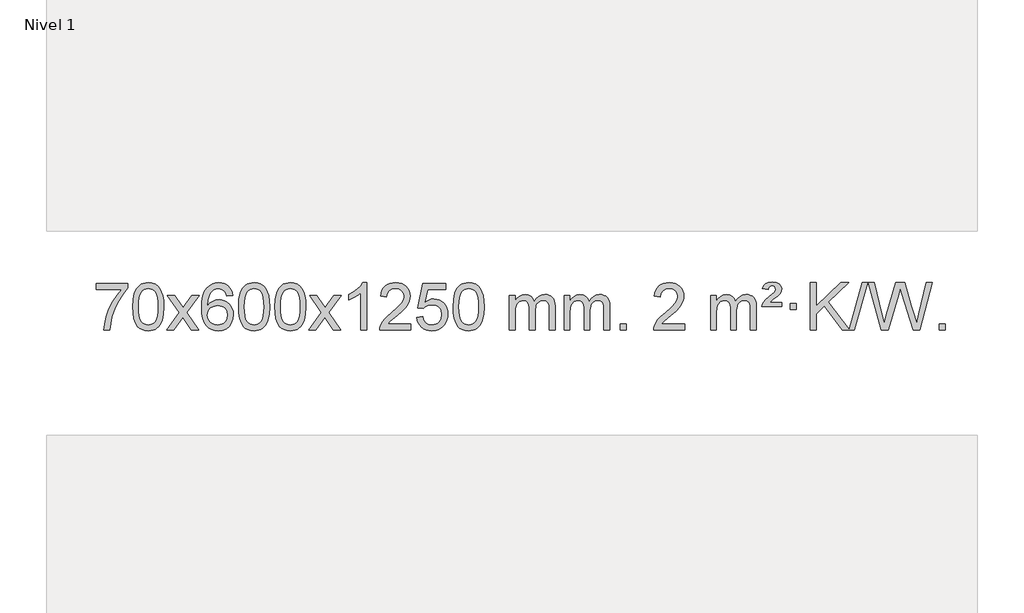
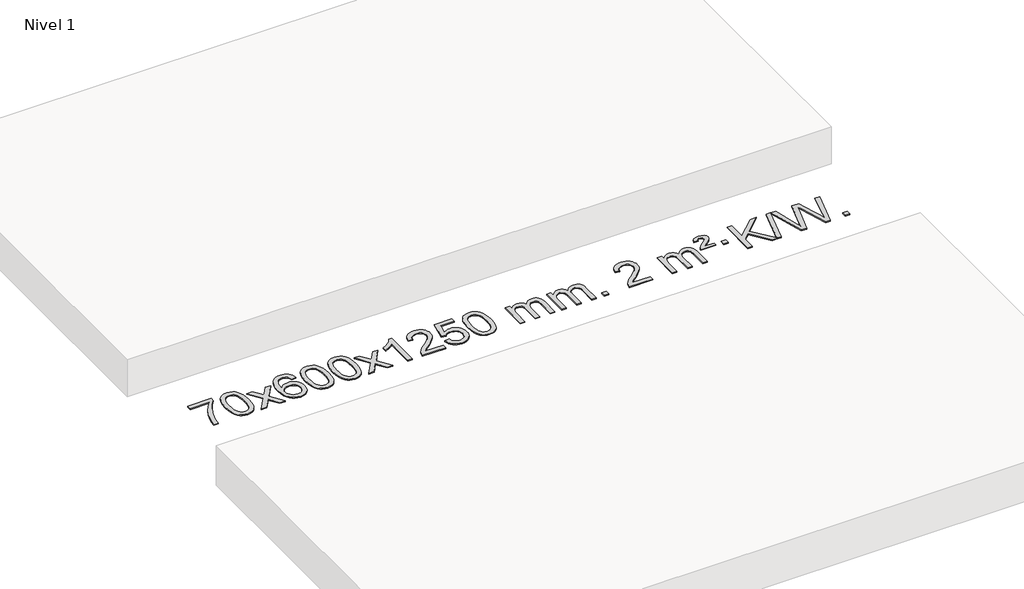
# One storey, part 3 of 7: 1 proxy.
"""IFC4 building model written with IfcOpenShell, lengths in millimetres."""

from ifc_helpers import new_model, si_unit, origin, origin_with_axes, place, context, project, spatial, polyline, outline, extrude, element, save

model = new_model("IFC4")

# Units and contexts
model_context = context("Model", 3, world=origin())
ifc_project = project(units=[si_unit("LENGTHUNIT", "METRE", prefix="MILLI")], contexts=[model_context])

# Site, building, storey
site = spatial("IfcSite", under=ifc_project)
building = spatial("IfcBuilding", under=site)
storey = spatial("IfcBuildingStorey", under=building, Name="Nivel 1", Elevation=0.0)

# Proxy
placement = place(None, origin())
element("IfcBuildingElementProxy", 1, Name="Texto de modelo 1", ObjectType="Texto de modelo 1", at=placement, inside=storey, context=model_context, shape_type="SweptSolid", body=[
    extrude(outline(polyline([(-25593.8451637, -6539.2982907), (-25593.8451637, -6489.0701357), (-25330.1473496, -6489.0701357), (-25330.1473496, -6529.6843079), (-25367.7326267, -6577.2514499), (-25404.9500219, -6637.7435126), (-25437.7773586, -6705.6422662), (-25462.1924604, -6775.4294807), (-25474.1608879, -6827.6441985), (-25480.8318148, -6884.6168569), (-25531.0599699, -6884.6168569), (-25525.6275791, -6832.8435974), (-25511.0962403, -6771.3092024), (-25487.8583609, -6706.0837246), (-25456.3063484, -6643.2372171), (-25419.469098, -6586.4239743), (-25380.3755046, -6539.2982907), (-25593.8451637, -6539.2982907)])), origin_with_axes(), (0.0, 0.0, 1.0), 10.0),
    extrude(outline(polyline([(-25286.1977139, -6686.9415981), (-25282.5066312, -6622.6235626), (-25271.4333831, -6571.3285498), (-25253.0883343, -6532.2717446), (-25241.2302713, -6517.0383643), (-25227.5818493, -6504.6683323), (-25212.097083, -6495.097269), (-25194.7299871, -6488.2607953), (-25154.3488068, -6482.7916163), (-25123.3976683, -6486.0289778), (-25095.6838913, -6495.7410625), (-25072.5073256, -6511.5477256), (-25055.1678209, -6533.0688223), (-25042.0712219, -6560.1204117), (-25031.6233732, -6592.5185527), (-25024.7807681, -6633.6600225), (-25022.4998997, -6686.9415981), (-25026.1541942, -6750.8917516), (-25037.1170777, -6802.0641372), (-25055.3517619, -6841.1577305), (-25067.1822337, -6856.437096), (-25080.8214587, -6868.8715075), (-25096.3246191, -6878.5069501), (-25113.7468973, -6885.3894091), (-25154.3488068, -6890.8953763), (-25182.0135328, -6888.5041433), (-25206.5389992, -6881.3304444), (-25227.9252058, -6869.3742795), (-25246.1721528, -6852.6356488), (-25263.6833358, -6822.3773547), (-25276.1913236, -6784.6755815), (-25283.6961163, -6739.5303293), (-25286.1977139, -6686.9415981)]), holes=[polyline([(-25235.9695588, -6686.8434963), (-25234.4980308, -6730.5080234), (-25230.0834469, -6765.8522861), (-25222.725807, -6792.8762843), (-25212.4251111, -6811.5800181), (-25199.9661742, -6824.3056694), (-25186.1338112, -6833.3954204), (-25170.9280221, -6838.849271), (-25154.3488068, -6840.6672212), (-25137.7695916, -6838.8431396), (-25122.5638024, -6833.3708949), (-25108.7314394, -6824.2504871), (-25096.2725025, -6811.4819162), (-25085.9718066, -6792.7475256), (-25078.6141667, -6765.7296588), (-25074.1995828, -6730.4283156), (-25072.7280548, -6686.8434963), (-25074.1505319, -6644.3347317), (-25078.417963, -6609.6128027), (-25085.5303482, -6582.6777093), (-25095.4876876, -6563.5294515), (-25107.738158, -6550.1814664), (-25121.7299366, -6540.6471914), (-25137.4630232, -6534.9266264), (-25154.937418, -6533.0197713), (-25171.4307941, -6534.6997658), (-25186.3790659, -6539.7397491), (-25199.7822332, -6548.1397213), (-25211.6402962, -6559.8996825), (-25222.2843486, -6580.7463289), (-25229.8872431, -6608.8525133), (-25234.4489799, -6644.2182358), (-25235.9695588, -6686.8434963)])]), origin_with_axes(), (0.0, 0.0, 1.0), 10.0),
    extrude(outline(polyline([(-24997.3858222, -6884.6168569), (-24890.0623815, -6736.2868364), (-24991.1073028, -6589.5264458), (-24930.6765537, -6589.5264458), (-24881.9199266, -6660.1597889), (-24859.1602939, -6693.5144231), (-24839.4418189, -6666.2421045), (-24783.9161631, -6589.5264458), (-24723.4854141, -6589.5264458), (-24829.6316324, -6736.2868364), (-24727.4094887, -6884.6168569), (-24787.8402377, -6884.6168569), (-24849.3501073, -6795.4422612), (-24860.6318219, -6779.1573516), (-24936.9550731, -6884.6168569), (-24997.3858222, -6884.6168569)])), origin_with_axes(), (0.0, 0.0, 1.0), 10.0),
    extrude(outline(polyline([(-24438.597597, -6589.5264458), (-24488.8257521, -6595.8049652), (-24496.919156, -6570.9116168), (-24507.8575139, -6553.9154687), (-24530.6416722, -6538.2436957), (-24558.1837709, -6533.0197713), (-24581.5320148, -6536.0609292), (-24603.5068327, -6545.1844027), (-24622.379179, -6564.4001055), (-24637.7934346, -6590.850821), (-24648.2044951, -6628.2644199), (-24652.0672561, -6680.3687731), (-24631.9195855, -6656.8611137), (-24607.7742638, -6640.2941611), (-24580.9801919, -6630.4717119), (-24552.8862702, -6627.1975621), (-24528.7532113, -6629.4355109), (-24506.4840878, -6636.1493573), (-24486.0788998, -6647.3391013), (-24467.5376473, -6663.004743), (-24452.129523, -6682.2143145), (-24441.12372, -6704.0358482), (-24434.5202382, -6728.469344), (-24432.3190776, -6755.514802), (-24436.4638814, -6791.4813984), (-24448.8982929, -6824.8237699), (-24468.5922423, -6853.1016326), (-24494.5156603, -6873.8747026), (-24525.4913243, -6886.6402078), (-24560.3420119, -6890.8953763), (-24590.2845407, -6888.0749476), (-24617.326933, -6879.6136617), (-24641.4691889, -6865.5115186), (-24662.7113085, -6845.7685182), (-24680.0293534, -6819.5507947), (-24692.3993855, -6786.0244822), (-24699.8214047, -6745.1895807), (-24702.2954111, -6697.0460903), (-24699.5485589, -6643.0716702), (-24691.3080022, -6597.006713), (-24677.5737411, -6558.8512188), (-24658.3457754, -6528.6051874), (-24637.5052604, -6508.56175), (-24613.3415447, -6494.2450091), (-24585.8546283, -6485.6549645), (-24555.0445112, -6482.7916163), (-24531.9108651, -6484.5635812), (-24510.9722482, -6489.879476), (-24492.2286605, -6498.7393008), (-24475.6801021, -6511.1430554), (-24461.7741627, -6526.6738069), (-24450.958432, -6544.9146225), (-24443.2329101, -6565.8655021), (-24438.597597, -6589.5264458)]), holes=[polyline([(-24652.0672561, -6754.7299871), (-24649.1609883, -6776.9868478), (-24640.442185, -6798.2381644), (-24626.9041276, -6816.5096368), (-24609.5400974, -6829.8269651), (-24588.5830864, -6837.9571571), (-24564.2660865, -6840.6672212), (-24531.1199188, -6835.0508894), (-24517.2047823, -6828.0304746), (-24505.0616108, -6818.201894), (-24495.2115704, -6805.9636863), (-24488.1758272, -6791.7143904), (-24482.5472327, -6757.1825337), (-24488.1022508, -6724.036366), (-24495.0460235, -6710.4155351), (-24504.7673052, -6698.7628729), (-24516.9472649, -6689.4278673), (-24531.2670716, -6682.7600061), (-24566.3262257, -6677.4257172), (-24599.4233425, -6682.7600061), (-24627.1003313, -6698.7628729), (-24638.0233609, -6710.2622509), (-24645.8255249, -6723.4232293), (-24650.5068233, -6738.245808), (-24652.0672561, -6754.7299871)])]), origin_with_axes(), (0.0, 0.0, 1.0), 10.0),
    extrude(outline(polyline([(-24388.3694419, -6686.9415981), (-24384.6783592, -6622.6235626), (-24373.6051112, -6571.3285498), (-24355.2600623, -6532.2717446), (-24343.4019994, -6517.0383643), (-24329.7535774, -6504.6683323), (-24314.268811, -6495.097269), (-24296.9017152, -6488.2607953), (-24256.5205348, -6482.7916163), (-24225.5693963, -6486.0289778), (-24197.8556193, -6495.7410625), (-24174.6790537, -6511.5477256), (-24157.3395489, -6533.0688223), (-24144.2429499, -6560.1204117), (-24133.7951013, -6592.5185527), (-24126.9524961, -6633.6600225), (-24124.6716278, -6686.9415981), (-24128.3259223, -6750.8917516), (-24139.2888057, -6802.0641372), (-24157.5234899, -6841.1577305), (-24169.3539618, -6856.437096), (-24182.9931867, -6868.8715075), (-24198.4963472, -6878.5069501), (-24215.9186253, -6885.3894091), (-24256.5205348, -6890.8953763), (-24284.1852609, -6888.5041433), (-24308.7107272, -6881.3304444), (-24330.0969339, -6869.3742795), (-24348.3438808, -6852.6356488), (-24365.8550638, -6822.3773547), (-24378.3630516, -6784.6755815), (-24385.8678443, -6739.5303293), (-24388.3694419, -6686.9415981)]), holes=[polyline([(-24338.1412868, -6686.8434963), (-24336.6697589, -6730.5080234), (-24332.2551749, -6765.8522861), (-24324.897535, -6792.8762843), (-24314.5968391, -6811.5800181), (-24302.1379022, -6824.3056694), (-24288.3055392, -6833.3954204), (-24273.0997501, -6838.849271), (-24256.5205348, -6840.6672212), (-24239.9413196, -6838.8431396), (-24224.7355305, -6833.3708949), (-24210.9031674, -6824.2504871), (-24198.4442305, -6811.4819162), (-24188.1435347, -6792.7475256), (-24180.7858948, -6765.7296588), (-24176.3713108, -6730.4283156), (-24174.8997828, -6686.8434963), (-24176.3222599, -6644.3347317), (-24180.589691, -6609.6128027), (-24187.7020763, -6582.6777093), (-24197.6594156, -6563.5294515), (-24209.9098861, -6550.1814664), (-24223.9016646, -6540.6471914), (-24239.6347513, -6534.9266264), (-24257.109146, -6533.0197713), (-24273.6025222, -6534.6997658), (-24288.5507939, -6539.7397491), (-24301.9539612, -6548.1397213), (-24313.8120242, -6559.8996825), (-24324.4560766, -6580.7463289), (-24332.0589712, -6608.8525133), (-24336.6207079, -6644.2182358), (-24338.1412868, -6686.8434963)])]), origin_with_axes(), (0.0, 0.0, 1.0), 10.0),
    extrude(outline(polyline([(-24080.7219921, -6686.9415981), (-24077.0309094, -6622.6235626), (-24065.9576613, -6571.3285498), (-24047.6126125, -6532.2717446), (-24035.7545495, -6517.0383643), (-24022.1061275, -6504.6683323), (-24006.6213612, -6495.097269), (-23989.2542653, -6488.2607953), (-23948.873085, -6482.7916163), (-23917.9219465, -6486.0289778), (-23890.2081695, -6495.7410625), (-23867.0316038, -6511.5477256), (-23849.6920991, -6533.0688223), (-23836.5955001, -6560.1204117), (-23826.1476514, -6592.5185527), (-23819.3050463, -6633.6600225), (-23817.0241779, -6686.9415981), (-23820.6784724, -6750.8917516), (-23831.6413559, -6802.0641372), (-23849.8760401, -6841.1577305), (-23861.7065119, -6856.437096), (-23875.3457369, -6868.8715075), (-23890.8488973, -6878.5069501), (-23908.2711755, -6885.3894091), (-23948.873085, -6890.8953763), (-23976.537811, -6888.5041433), (-24001.0632774, -6881.3304444), (-24022.449484, -6869.3742795), (-24040.696431, -6852.6356488), (-24058.207614, -6822.3773547), (-24070.7156018, -6784.6755815), (-24078.2203945, -6739.5303293), (-24080.7219921, -6686.9415981)]), holes=[polyline([(-24030.493837, -6686.8434963), (-24029.022309, -6730.5080234), (-24024.6077251, -6765.8522861), (-24017.2500852, -6792.8762843), (-24006.9493893, -6811.5800181), (-23994.4904524, -6824.3056694), (-23980.6580894, -6833.3954204), (-23965.4523003, -6838.849271), (-23948.873085, -6840.6672212), (-23932.2938698, -6838.8431396), (-23917.0880806, -6833.3708949), (-23903.2557176, -6824.2504871), (-23890.7967807, -6811.4819162), (-23880.4960848, -6792.7475256), (-23873.1384449, -6765.7296588), (-23868.723861, -6730.4283156), (-23867.252333, -6686.8434963), (-23868.6748101, -6644.3347317), (-23872.9422412, -6609.6128027), (-23880.0546264, -6582.6777093), (-23890.0119658, -6563.5294515), (-23902.2624362, -6550.1814664), (-23916.2542148, -6540.6471914), (-23931.9873014, -6534.9266264), (-23949.4616962, -6533.0197713), (-23965.9550723, -6534.6997658), (-23980.9033441, -6539.7397491), (-23994.3065114, -6548.1397213), (-24006.1645744, -6559.8996825), (-24016.8086268, -6580.7463289), (-24024.4115214, -6608.8525133), (-24028.9732581, -6644.2182358), (-24030.493837, -6686.8434963)])]), origin_with_axes(), (0.0, 0.0, 1.0), 10.0),
    extrude(outline(polyline([(-23791.9101004, -6884.6168569), (-23684.5866597, -6736.2868364), (-23785.631581, -6589.5264458), (-23725.2008319, -6589.5264458), (-23676.4442048, -6660.1597889), (-23653.6845721, -6693.5144231), (-23633.9660971, -6666.2421045), (-23578.4404413, -6589.5264458), (-23518.0096923, -6589.5264458), (-23624.1559106, -6736.2868364), (-23521.9337669, -6884.6168569), (-23582.3645159, -6884.6168569), (-23643.8743855, -6795.4422612), (-23655.1561001, -6779.1573516), (-23731.4793513, -6884.6168569), (-23791.9101004, -6884.6168569)])), origin_with_axes(), (0.0, 0.0, 1.0), 10.0),
    extrude(outline(polyline([(-23302.1855884, -6884.6168569), (-23352.4137435, -6884.6168569), (-23352.4137435, -6571.4757026), (-23373.3830172, -6588.4350626), (-23399.9931482, -6605.3698971), (-23452.8700536, -6630.7292293), (-23452.8700536, -6583.2479264), (-23413.420841, -6561.7881434), (-23379.2446037, -6536.2571329), (-23352.3033789, -6509.1074417), (-23334.559204, -6482.7916163), (-23302.1855884, -6482.7916163), (-23302.1855884, -6884.6168569)])), origin_with_axes(), (0.0, 0.0, 1.0), 10.0),
    extrude(outline(polyline([(-22925.4744254, -6834.3887018), (-22925.4744254, -6884.6168569), (-23189.1722395, -6884.6168569), (-23188.0685935, -6866.9339956), (-23183.7766369, -6849.9868984), (-23171.3912764, -6822.9230463), (-23153.2669568, -6796.6685346), (-23127.0492333, -6769.1877495), (-23090.3836611, -6738.4450775), (-23036.1823804, -6690.301587), (-23003.6616121, -6654.7641863), (-22987.4012279, -6625.9222379), (-22981.9810998, -6597.8651044), (-22987.0946596, -6572.7142386), (-23002.4353388, -6551.8062786), (-23026.0165746, -6537.7163982), (-23055.8518045, -6533.0197713), (-23087.1830877, -6537.6060336), (-23111.5246131, -6551.3648202), (-23127.2331742, -6573.2170107), (-23132.665565, -6602.0834846), (-23182.8937201, -6595.8049652), (-23178.5741724, -6569.8754159), (-23170.7168261, -6547.2200164), (-23159.3216813, -6527.8387666), (-23144.388738, -6511.7316666), (-23126.2613526, -6499.0703946), (-23105.2828819, -6490.0266288), (-23081.4533256, -6484.6003694), (-23054.7726839, -6482.7916163), (-23027.8529189, -6484.8027045), (-23003.894604, -6490.8359692), (-22982.8977391, -6500.8914104), (-22964.8623243, -6514.9690281), (-22950.3769708, -6532.02649), (-22940.0302896, -6551.0214636), (-22933.822281, -6571.9539492), (-22931.7529447, -6594.8239465), (-22933.9847622, -6618.8466408), (-22940.6802145, -6642.4524022), (-22952.5628029, -6666.4628337), (-22970.3560288, -6691.6995386), (-22998.7197306, -6721.829074), (-23042.313747, -6760.5179972), (-23100.0957457, -6808.8331659), (-23122.7572766, -6834.3887018), (-22925.4744254, -6834.3887018)])), origin_with_axes(), (0.0, 0.0, 1.0), 10.0),
    extrude(outline(polyline([(-22875.2462703, -6777.8820273), (-22825.0181152, -6771.603508), (-22815.7965399, -6801.7575688), (-22799.7078339, -6823.3522419), (-22776.8255738, -6836.3384764), (-22747.223336, -6840.6672212), (-22728.0934722, -6839.1619707), (-22711.2199514, -6834.6462192), (-22696.6027734, -6827.1199667), (-22684.2419384, -6816.5832132), (-22674.4133578, -6803.5571249), (-22667.392943, -6788.5628679), (-22661.7766112, -6752.6698479), (-22667.0373238, -6718.8737553), (-22673.6132144, -6704.9555532), (-22682.8194613, -6693.0239138), (-22694.6867214, -6683.4528505), (-22709.2456513, -6676.6163768), (-22746.438521, -6671.1471978), (-22770.8045719, -6673.3299643), (-22790.5353095, -6679.8782638), (-22806.2929217, -6689.9091796), (-22818.7395958, -6702.5397947), (-22868.9677509, -6696.2612753), (-22825.0181152, -6489.0701357), (-22630.3840143, -6489.0701357), (-22630.3840143, -6539.2982907), (-22784.4039429, -6539.2982907), (-22805.8882515, -6649.9571949), (-22788.1624707, -6637.2530033), (-22770.0074942, -6628.1785808), (-22751.4233221, -6622.7339272), (-22732.4099543, -6620.9190427), (-22707.9488673, -6623.1692543), (-22685.4804744, -6629.9198889), (-22665.0047757, -6641.1709466), (-22646.5217712, -6656.9224273), (-22631.2209458, -6676.2117066), (-22620.2917849, -6698.0761598), (-22613.7342883, -6722.5157871), (-22611.5484561, -6749.5305882), (-22613.5166248, -6775.552108), (-22619.4211308, -6799.7587433), (-22629.2619742, -6822.1504941), (-22643.0391549, -6842.7273604), (-22663.9103268, -6863.8008673), (-22688.2641149, -6878.8533723), (-22716.1005192, -6887.8848753), (-22747.4195397, -6890.8953763), (-22773.3398919, -6888.9609301), (-22796.7525152, -6883.1575916), (-22817.6574096, -6873.4853608), (-22836.0545751, -6859.9442377), (-22851.3615318, -6843.2086726), (-22862.9957998, -6823.9531159), (-22870.9573794, -6802.1775674), (-22875.2462703, -6777.8820273)])), origin_with_axes(), (0.0, 0.0, 1.0), 10.0),
    extrude(outline(polyline([(-22567.5988205, -6686.9415981), (-22563.9077378, -6622.6235626), (-22552.8344897, -6571.3285498), (-22534.4894409, -6532.2717446), (-22522.6313779, -6517.0383643), (-22508.9829559, -6504.6683323), (-22493.4981896, -6495.097269), (-22476.1310937, -6488.2607953), (-22435.7499134, -6482.7916163), (-22404.7987749, -6486.0289778), (-22377.0849979, -6495.7410625), (-22353.9084322, -6511.5477256), (-22336.5689275, -6533.0688223), (-22323.4723285, -6560.1204117), (-22313.0244798, -6592.5185527), (-22306.1818747, -6633.6600225), (-22303.9010063, -6686.9415981), (-22307.5553008, -6750.8917516), (-22318.5181843, -6802.0641372), (-22336.7528685, -6841.1577305), (-22348.5833403, -6856.437096), (-22362.2225653, -6868.8715075), (-22377.7257257, -6878.5069501), (-22395.1480038, -6885.3894091), (-22435.7499134, -6890.8953763), (-22463.4146394, -6888.5041433), (-22487.9401058, -6881.3304444), (-22509.3263124, -6869.3742795), (-22527.5732594, -6852.6356488), (-22545.0844423, -6822.3773547), (-22557.5924302, -6784.6755815), (-22565.0972229, -6739.5303293), (-22567.5988205, -6686.9415981)]), holes=[polyline([(-22517.3706654, -6686.8434963), (-22515.8991374, -6730.5080234), (-22511.4845535, -6765.8522861), (-22504.1269136, -6792.8762843), (-22493.8262177, -6811.5800181), (-22481.3672808, -6824.3056694), (-22467.5349178, -6833.3954204), (-22452.3291286, -6838.849271), (-22435.7499134, -6840.6672212), (-22419.1706981, -6838.8431396), (-22403.964909, -6833.3708949), (-22390.132546, -6824.2504871), (-22377.6736091, -6811.4819162), (-22367.3729132, -6792.7475256), (-22360.0152733, -6765.7296588), (-22355.6006894, -6730.4283156), (-22354.1291614, -6686.8434963), (-22355.5516384, -6644.3347317), (-22359.8190696, -6609.6128027), (-22366.9314548, -6582.6777093), (-22376.8887942, -6563.5294515), (-22389.1392646, -6550.1814664), (-22403.1310431, -6540.6471914), (-22418.8641298, -6534.9266264), (-22436.3385246, -6533.0197713), (-22452.8319007, -6534.6997658), (-22467.7801724, -6539.7397491), (-22481.1833398, -6548.1397213), (-22493.0414028, -6559.8996825), (-22503.6854552, -6580.7463289), (-22511.2883497, -6608.8525133), (-22515.8500865, -6644.2182358), (-22517.3706654, -6686.8434963)])]), origin_with_axes(), (0.0, 0.0, 1.0), 10.0),
    extrude(outline(polyline([(-22090.4313472, -6884.6168569), (-22090.4313472, -6589.5264458), (-22040.2031922, -6589.5264458), (-22040.2031922, -6638.0868692), (-22025.0955049, -6615.7809575), (-22005.6713356, -6598.3065628), (-21982.5928717, -6587.0125855), (-21956.522301, -6583.2479264), (-21928.5877948, -6587.0861619), (-21906.1960441, -6598.6008684), (-21889.469676, -6617.0317563), (-21878.531318, -6641.6185363), (-21860.2230574, -6616.0813945), (-21839.3396228, -6597.8405789), (-21815.8810142, -6586.8960895), (-21789.8472317, -6583.2479264), (-21769.739415, -6584.7654397), (-21752.0902763, -6589.3179793), (-21736.8998156, -6596.9055455), (-21724.1680328, -6607.5281381), (-21714.1033946, -6621.3083845), (-21706.9143673, -6638.368912), (-21702.6009509, -6658.7097207), (-21701.1631454, -6682.3308105), (-21701.1631454, -6884.6168569), (-21751.3913005, -6884.6168569), (-21751.3913005, -6703.9132208), (-21752.5562601, -6678.860457), (-21756.0511391, -6661.9746734), (-21762.5994386, -6650.410916), (-21772.9246599, -6641.3242307), (-21786.2052, -6635.4381188), (-21801.6194556, -6633.4760815), (-21828.8304605, -6638.5038021), (-21851.0137448, -6653.5869639), (-21859.6191178, -6665.1568526), (-21865.7658128, -6679.7556365), (-21870.6831688, -6718.0398895), (-21870.6831688, -6884.6168569), (-21920.9113239, -6884.6168569), (-21920.9113239, -6698.3214145), (-21923.8175916, -6669.9209245), (-21932.5363949, -6649.6628893), (-21947.8770741, -6637.5227834), (-21970.6489696, -6633.4760815), (-21989.9995626, -6636.1738828), (-22007.8295766, -6644.2672867), (-22022.5448564, -6657.5600894), (-22032.5512467, -6675.8560873), (-22038.2902058, -6701.239945), (-22040.2031922, -6735.7963271), (-22040.2031922, -6884.6168569), (-22090.4313472, -6884.6168569)])), origin_with_axes(), (0.0, 0.0, 1.0), 10.0),
    extrude(outline(polyline([(-21625.8209128, -6884.6168569), (-21625.8209128, -6589.5264458), (-21575.5927577, -6589.5264458), (-21575.5927577, -6638.0868692), (-21560.4850705, -6615.7809575), (-21541.0609011, -6598.3065628), (-21517.9824373, -6587.0125855), (-21491.9118666, -6583.2479264), (-21463.9773604, -6587.0861619), (-21441.5856096, -6598.6008684), (-21424.8592416, -6617.0317563), (-21413.9208836, -6641.6185363), (-21395.612623, -6616.0813945), (-21374.7291884, -6597.8405789), (-21351.2705798, -6586.8960895), (-21325.2367973, -6583.2479264), (-21305.1289806, -6584.7654397), (-21287.4798418, -6589.3179793), (-21272.2893811, -6596.9055455), (-21259.5575984, -6607.5281381), (-21249.4929602, -6621.3083845), (-21242.3039328, -6638.368912), (-21237.9905164, -6658.7097207), (-21236.552711, -6682.3308105), (-21236.552711, -6884.6168569), (-21286.780866, -6884.6168569), (-21286.780866, -6703.9132208), (-21287.9458257, -6678.860457), (-21291.4407047, -6661.9746734), (-21297.9890042, -6650.410916), (-21308.3142255, -6641.3242307), (-21321.5947655, -6635.4381188), (-21337.0090211, -6633.4760815), (-21364.220026, -6638.5038021), (-21386.4033103, -6653.5869639), (-21395.0086833, -6665.1568526), (-21401.1553783, -6679.7556365), (-21406.0727343, -6718.0398895), (-21406.0727343, -6884.6168569), (-21456.3008894, -6884.6168569), (-21456.3008894, -6698.3214145), (-21459.2071572, -6669.9209245), (-21467.9259605, -6649.6628893), (-21483.2666397, -6637.5227834), (-21506.0385352, -6633.4760815), (-21525.3891281, -6636.1738828), (-21543.2191422, -6644.2672867), (-21557.934422, -6657.5600894), (-21567.9408122, -6675.8560873), (-21573.6797714, -6701.239945), (-21575.5927577, -6735.7963271), (-21575.5927577, -6884.6168569), (-21625.8209128, -6884.6168569)])), origin_with_axes(), (0.0, 0.0, 1.0), 10.0),
    extrude(outline(polyline([(-21148.6534396, -6884.6168569), (-21148.6534396, -6834.3887018), (-21098.4252845, -6834.3887018), (-21098.4252845, -6884.6168569), (-21148.6534396, -6884.6168569)])), origin_with_axes(), (0.0, 0.0, 1.0), 10.0),
    extrude(outline(polyline([(-20602.4222532, -6834.3887018), (-20602.4222532, -6884.6168569), (-20866.1200673, -6884.6168569), (-20865.0164213, -6866.9339956), (-20860.7244647, -6849.9868984), (-20848.3391042, -6822.9230463), (-20830.2147846, -6796.6685346), (-20803.997061, -6769.1877495), (-20767.3314889, -6738.4450775), (-20713.1302082, -6690.301587), (-20680.6094399, -6654.7641863), (-20664.3490557, -6625.9222379), (-20658.9289276, -6597.8651044), (-20664.0424873, -6572.7142386), (-20679.3831665, -6551.8062786), (-20702.9644024, -6537.7163982), (-20732.7996322, -6533.0197713), (-20764.1309155, -6537.6060336), (-20788.4724408, -6551.3648202), (-20804.181002, -6573.2170107), (-20809.6133928, -6602.0834846), (-20859.8415479, -6595.8049652), (-20855.5220002, -6569.8754159), (-20847.6646539, -6547.2200164), (-20836.2695091, -6527.8387666), (-20821.3365657, -6511.7316666), (-20803.2091804, -6499.0703946), (-20782.2307097, -6490.0266288), (-20758.4011534, -6484.6003694), (-20731.7205117, -6482.7916163), (-20704.8007467, -6484.8027045), (-20680.8424318, -6490.8359692), (-20659.8455669, -6500.8914104), (-20641.8101521, -6514.9690281), (-20627.3247985, -6532.02649), (-20616.9781174, -6551.0214636), (-20610.7701088, -6571.9539492), (-20608.7007725, -6594.8239465), (-20610.93259, -6618.8466408), (-20617.6280423, -6642.4524022), (-20629.5106307, -6666.4628337), (-20647.3038566, -6691.6995386), (-20675.6675584, -6721.829074), (-20719.2615748, -6760.5179972), (-20777.0435735, -6808.8331659), (-20799.7051044, -6834.3887018), (-20602.4222532, -6834.3887018)])), origin_with_axes(), (0.0, 0.0, 1.0), 10.0),
    extrude(outline(polyline([(-20382.6740747, -6884.6168569), (-20382.6740747, -6589.5264458), (-20332.4459196, -6589.5264458), (-20332.4459196, -6638.0868692), (-20317.3382324, -6615.7809575), (-20297.914063, -6598.3065628), (-20274.8355992, -6587.0125855), (-20248.7650285, -6583.2479264), (-20220.8305223, -6587.0861619), (-20198.4387715, -6598.6008684), (-20181.7124035, -6617.0317563), (-20170.7740455, -6641.6185363), (-20152.4657849, -6616.0813945), (-20131.5823503, -6597.8405789), (-20108.1237417, -6586.8960895), (-20082.0899592, -6583.2479264), (-20061.9821425, -6584.7654397), (-20044.3330037, -6589.3179793), (-20029.142543, -6596.9055455), (-20016.4107603, -6607.5281381), (-20006.3461221, -6621.3083845), (-19999.1570947, -6638.368912), (-19994.8436783, -6658.7097207), (-19993.4058729, -6682.3308105), (-19993.4058729, -6884.6168569), (-20043.6340279, -6884.6168569), (-20043.6340279, -6703.9132208), (-20044.7989876, -6678.860457), (-20048.2938666, -6661.9746734), (-20054.8421661, -6650.410916), (-20065.1673874, -6641.3242307), (-20078.4479274, -6635.4381188), (-20093.862183, -6633.4760815), (-20121.0731879, -6638.5038021), (-20143.2564722, -6653.5869639), (-20151.8618452, -6665.1568526), (-20158.0085402, -6679.7556365), (-20162.9258962, -6718.0398895), (-20162.9258962, -6884.6168569), (-20213.1540513, -6884.6168569), (-20213.1540513, -6698.3214145), (-20216.0603191, -6669.9209245), (-20224.7791224, -6649.6628893), (-20240.1198016, -6637.5227834), (-20262.8916971, -6633.4760815), (-20282.24229, -6636.1738828), (-20300.072304, -6644.2672867), (-20314.7875839, -6657.5600894), (-20324.7939741, -6675.8560873), (-20330.5329333, -6701.239945), (-20332.4459196, -6735.7963271), (-20332.4459196, -6884.6168569), (-20382.6740747, -6884.6168569)])), origin_with_axes(), (0.0, 0.0, 1.0), 10.0),
    extrude(outline(polyline([(-19949.4562372, -6683.7042366), (-19945.6302644, -6667.8853108), (-19937.2916059, -6652.0173341), (-19915.7827719, -6626.878731), (-19883.8260892, -6599.1404286), (-19839.6802498, -6561.7636179), (-19832.5433391, -6550.2366487), (-19830.1643689, -6538.4153739), (-19832.0528298, -6526.324319), (-19837.7182125, -6516.538658), (-19847.0869407, -6510.0639348), (-19860.0854378, -6507.9056938), (-19872.5198493, -6509.5243746), (-19881.3735426, -6514.3804169), (-19887.7992148, -6523.8472469), (-19892.9495627, -6539.2982907), (-19943.1777178, -6533.0197713), (-19932.3374617, -6507.8075919), (-19915.7091955, -6490.247358), (-19891.9440186, -6479.9466622), (-19859.6930304, -6476.5130969), (-19823.910375, -6480.645638), (-19799.1641794, -6493.0432612), (-19784.7432052, -6511.3760473), (-19779.9362138, -6533.3140769), (-19784.0319667, -6556.2208625), (-19796.3192253, -6577.8523238), (-19816.8470407, -6597.6689006), (-19853.3164091, -6625.7260341), (-19878.920996, -6652.3116396), (-19779.9362138, -6652.3116396), (-19779.9362138, -6683.7042366), (-19949.4562372, -6683.7042366)])), origin_with_axes(), (0.0, 0.0, 1.0), 10.0),
    extrude(outline(polyline([(-19704.5939812, -6708.8183141), (-19704.5939812, -6658.590159), (-19654.3658261, -6658.590159), (-19654.3658261, -6708.8183141), (-19704.5939812, -6708.8183141)])), origin_with_axes(), (0.0, 0.0, 1.0), 10.0),
    extrude(outline(polyline([(-19263.7241982, -6884.6168569), (-19417.1555156, -6681.938403), (-19484.8458027, -6746.4894304), (-19484.8458027, -6884.6168569), (-19535.0739578, -6884.6168569), (-19535.0739578, -6482.7916163), (-19484.8458027, -6482.7916163), (-19484.8458027, -6679.4858564), (-19278.8318854, -6482.7916163), (-19208.5909498, -6482.7916163), (-19381.5445385, -6647.9951576), (-19206.8909286, -6878.5723371), (-19095.5776009, -6482.7916163), (-19050.2545391, -6482.7916163), (-19163.267888, -6884.6168569), (-19202.3124304, -6884.6168569), (-19208.5909498, -6884.6168569), (-19263.7241982, -6884.6168569)])), origin_with_axes(), (0.0, 0.0, 1.0), 10.0),
    extrude(outline(polyline([(-18935.7696622, -6884.6168569), (-19045.3494458, -6482.7916163), (-18993.5516609, -6482.7916163), (-18929.9816521, -6746.8818379), (-18910.3612791, -6828.404488), (-18889.3674799, -6756.299617), (-18809.7087652, -6482.7916163), (-18735.0532456, -6482.7916163), (-18677.1731451, -6681.0554862), (-18652.3778986, -6754.6318852), (-18634.1064262, -6828.404488), (-18615.0746643, -6749.2362826), (-18550.9160443, -6482.7916163), (-18499.1182594, -6482.7916163), (-18608.7961449, -6884.6168569), (-18662.4578653, -6884.6168569), (-18758.7938971, -6574.6149623), (-18772.2338526, -6531.3520396), (-18787.3415399, -6583.4441302), (-18875.1427094, -6884.6168569), (-18935.7696622, -6884.6168569)])), origin_with_axes(), (0.0, 0.0, 1.0), 10.0),
    extrude(outline(polyline([(-18442.6115849, -6884.6168569), (-18442.6115849, -6834.3887018), (-18392.3834299, -6834.3887018), (-18392.3834299, -6884.6168569), (-18442.6115849, -6884.6168569)])), origin_with_axes(), (0.0, 0.0, 1.0), 10.0),
])

save(model, "model.ifc")
